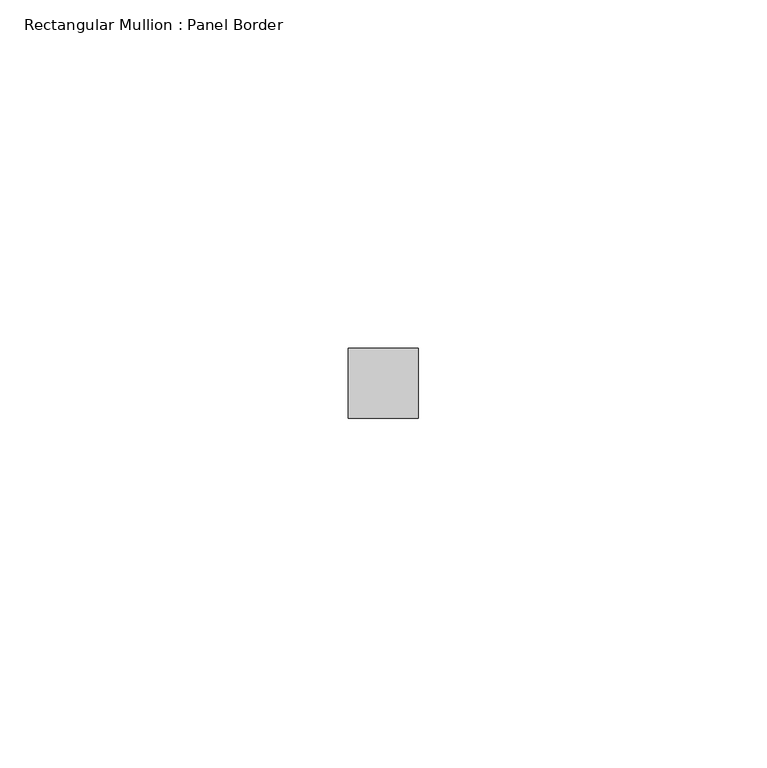
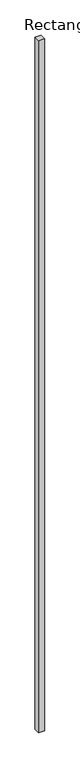
"""IFC4 building model written with IfcOpenShell, lengths in millimetres: member geometry, Rectangular Mullion : Panel Border."""

from ifc_helpers import new_model, si_unit, frame, origin, place, context, project, spatial, polyline, outline, extrude, source, transform, mapped, element, save


def rectangular_mullion_panel_border_c185b47e(model_context):
    return source(origin(), model_context, "Body", "SweptSolid", [
        extrude(outline(polyline([(5.0, 5.5), (5.0, -4.5), (-5.0, -4.5), (-5.0, 5.5), (5.0, 5.5)])), frame((0.0, 0.0, -1195.0), z_axis=(0.0, 0.0, 1.0), x_axis=(1.0, 0.0, 0.0)), (0.0, 0.0, 1.0), 1195.0),
    ])


if __name__ == "__main__":
    model = new_model("IFC4")
    model_context = context("Model", 3, world=origin())
    ifc_project = project(units=[si_unit("LENGTHUNIT", "METRE", prefix="MILLI")], contexts=[model_context])
    site = spatial("IfcSite", under=ifc_project)
    building = spatial("IfcBuilding", under=site)
    placement = place(None, origin())
    rectangular_mullion_panel_border_shape = rectangular_mullion_panel_border_c185b47e(model_context)
    element("IfcMember", 1, ObjectType="Rectangular Mullion : Panel Border", at=placement, inside=building, context=model_context, shape_type="MappedRepresentation", body=[
        mapped(rectangular_mullion_panel_border_shape, transform((0.0, 0.0, 0.0), x_axis=(1.0, 0.0, 0.0), y_axis=(0.0, 1.0, 0.0), z_axis=(0.0, 0.0, 1.0))),
    ])
    save(model, "model.ifc")
